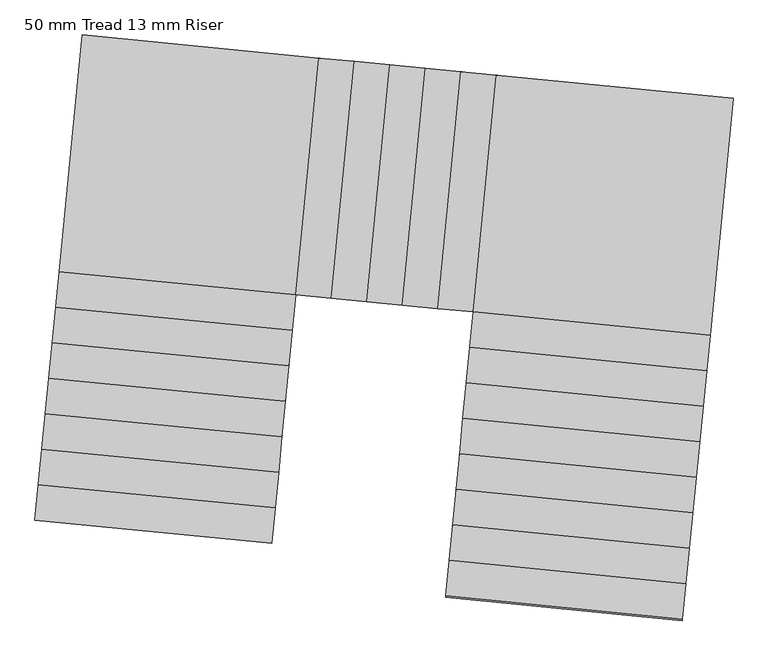
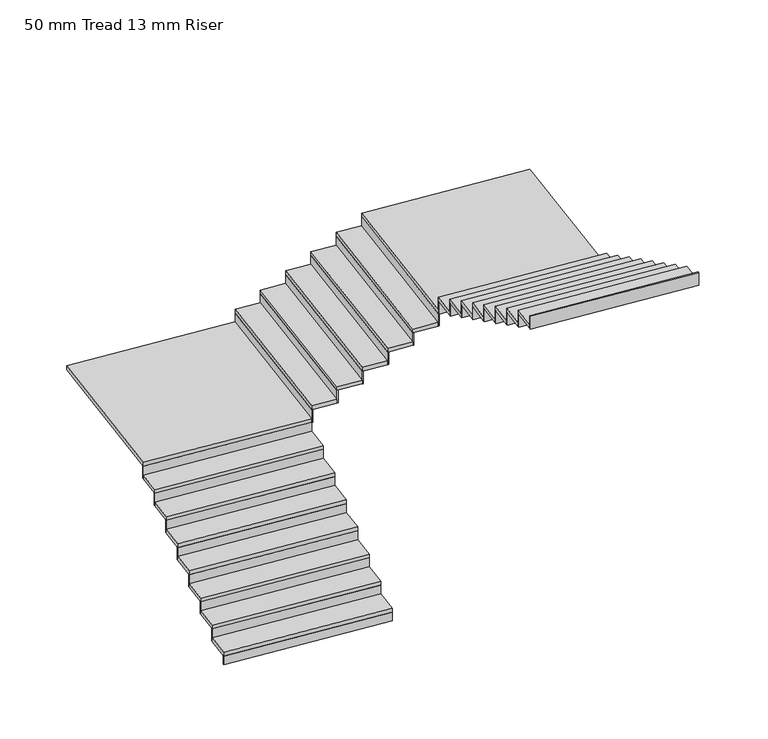
"""IFC4 building model written with IfcOpenShell, lengths in millimetres: stair flight geometry, 50 mm Tread 13 mm Riser."""

from ifc_helpers import new_model, si_unit, frame, origin, place, context, project, spatial, polyline, outline, extrude, source, transform, mapped, element, save


def stair_flight_50_mm_tread_13_mm_riser_656a12ab(model_context):
    return source(origin(), model_context, "Body", "SweptSolid", [
        extrude(outline(polyline([(-285257.1657913, 23425.5739007), (-285258.376983, 23413.1327185), (-287248.9661359, 23606.9233899), (-287247.7549442, 23619.3645721), (-285257.1657913, 23425.5739007)])), frame((0.0, 0.0, 4680.0), z_axis=(0.0, 0.0, 1.0), x_axis=(1.0, 0.0, 0.0)), (0.0, 0.0, 1.0), 116.6666667),
        extrude(outline(polyline([(-287219.8975352, 23905.5117628), (-285229.3083823, 23711.7210915), (-285258.376983, 23413.1327185), (-287248.9661359, 23606.9233899), (-287219.8975352, 23905.5117628)])), frame((0.0, 0.0, 4796.6666667), z_axis=(0.0, 0.0, 1.0), x_axis=(1.0, 0.0, 0.0)), (0.0, 0.0, 1.0), 50.0),
        extrude(outline(polyline([(-285228.0971906, 23724.1622737), (-285229.3083823, 23711.7210915), (-287219.8975352, 23905.5117628), (-287218.6863435, 23917.952945), (-285228.0971906, 23724.1622737)])), frame((0.0, 0.0, 4796.6666667), z_axis=(0.0, 0.0, 1.0), x_axis=(1.0, 0.0, 0.0)), (0.0, 0.0, 1.0), 166.6666667),
        extrude(outline(polyline([(-287190.8289345, 24204.1001358), (-285200.2397815, 24010.3094644), (-285229.3083823, 23711.7210915), (-287219.8975352, 23905.5117628), (-287190.8289345, 24204.1001358)])), frame((0.0, 0.0, 4963.3333333), z_axis=(0.0, 0.0, 1.0), x_axis=(1.0, 0.0, 0.0)), (0.0, 0.0, 1.0), 50.0),
        extrude(outline(polyline([(-285199.0285899, 24022.7506466), (-285200.2397815, 24010.3094644), (-287190.8289345, 24204.1001358), (-287189.6177428, 24216.541318), (-285199.0285899, 24022.7506466)])), frame((0.0, 0.0, 4963.3333333), z_axis=(0.0, 0.0, 1.0), x_axis=(1.0, 0.0, 0.0)), (0.0, 0.0, 1.0), 166.6666667),
        extrude(outline(polyline([(-287161.7603338, 24502.6885087), (-285171.1711808, 24308.8978373), (-285200.2397815, 24010.3094644), (-287190.8289345, 24204.1001358), (-287161.7603338, 24502.6885087)])), frame((0.0, 0.0, 5130.0), z_axis=(0.0, 0.0, 1.0), x_axis=(1.0, 0.0, 0.0)), (0.0, 0.0, 1.0), 50.0),
        extrude(outline(polyline([(-285169.9599891, 24321.3390195), (-285171.1711808, 24308.8978373), (-287161.7603338, 24502.6885087), (-287160.5491421, 24515.1296909), (-285169.9599891, 24321.3390195)])), frame((0.0, 0.0, 5130.0), z_axis=(0.0, 0.0, 1.0), x_axis=(1.0, 0.0, 0.0)), (0.0, 0.0, 1.0), 166.6666667),
        extrude(outline(polyline([(-287132.691733, 24801.2768816), (-285142.1025801, 24607.4862103), (-285171.1711808, 24308.8978373), (-287161.7603338, 24502.6885087), (-287132.691733, 24801.2768816)])), frame((0.0, 0.0, 5296.6666667), z_axis=(0.0, 0.0, 1.0), x_axis=(1.0, 0.0, 0.0)), (0.0, 0.0, 1.0), 50.0),
        extrude(outline(polyline([(-285140.8913884, 24619.9273925), (-285142.1025801, 24607.4862103), (-287132.691733, 24801.2768816), (-287131.4805414, 24813.7180639), (-285140.8913884, 24619.9273925)])), frame((0.0, 0.0, 5296.6666667), z_axis=(0.0, 0.0, 1.0), x_axis=(1.0, 0.0, 0.0)), (0.0, 0.0, 1.0), 166.6666667),
        extrude(outline(polyline([(-287103.6231323, 25099.8652546), (-285113.0339794, 24906.0745832), (-285142.1025801, 24607.4862103), (-287132.691733, 24801.2768816), (-287103.6231323, 25099.8652546)])), frame((0.0, 0.0, 5463.3333333), z_axis=(0.0, 0.0, 1.0), x_axis=(1.0, 0.0, 0.0)), (0.0, 0.0, 1.0), 50.0),
        extrude(outline(polyline([(-285111.8227877, 24918.5157654), (-285113.0339794, 24906.0745832), (-287103.6231323, 25099.8652546), (-287102.4119406, 25112.3064368), (-285111.8227877, 24918.5157654)])), frame((0.0, 0.0, 5463.3333333), z_axis=(0.0, 0.0, 1.0), x_axis=(1.0, 0.0, 0.0)), (0.0, 0.0, 1.0), 166.6666667),
        extrude(outline(polyline([(-287074.5545316, 25398.4536275), (-285083.9653787, 25204.6629561), (-285113.0339794, 24906.0745832), (-287103.6231323, 25099.8652546), (-287074.5545316, 25398.4536275)])), frame((0.0, 0.0, 5630.0), z_axis=(0.0, 0.0, 1.0), x_axis=(1.0, 0.0, 0.0)), (0.0, 0.0, 1.0), 50.0),
        extrude(outline(polyline([(-285082.754187, 25217.1041384), (-285083.9653787, 25204.6629562), (-287074.5545316, 25398.4536275), (-287073.3433399, 25410.8948097), (-285082.754187, 25217.1041384)])), frame((0.0, 0.0, 5630.0), z_axis=(0.0, 0.0, 1.0), x_axis=(1.0, 0.0, 0.0)), (0.0, 0.0, 1.0), 166.6666667),
        extrude(outline(polyline([(-287045.4859309, 25697.0420005), (-285054.896778, 25503.2513291), (-285083.9653787, 25204.6629562), (-287074.5545316, 25398.4536275), (-287045.4859309, 25697.0420005)])), frame((0.0, 0.0, 5796.6666667), z_axis=(0.0, 0.0, 1.0), x_axis=(1.0, 0.0, 0.0)), (0.0, 0.0, 1.0), 50.0),
        extrude(outline(polyline([(-285053.6855863, 25515.6925113), (-285054.896778, 25503.2513291), (-287045.4859309, 25697.0420005), (-287044.2747392, 25709.4831827), (-285053.6855863, 25515.6925113)])), frame((0.0, 0.0, 5796.6666667), z_axis=(0.0, 0.0, 1.0), x_axis=(1.0, 0.0, 0.0)), (0.0, 0.0, 1.0), 166.6666667),
        extrude(outline(polyline([(-284861.1061066, 27493.840482), (-285054.896778, 25503.2513291), (-287045.4859309, 25697.0420005), (-286851.6952596, 27687.6311534), (-284861.1061066, 27493.840482)])), frame((0.0, 0.0, 5963.3333333), z_axis=(0.0, 0.0, 1.0), x_axis=(1.0, 0.0, 0.0)), (0.0, 0.0, 1.0), 50.0),
        extrude(outline(polyline([(-285042.4555958, 25502.0401374), (-285054.896778, 25503.2513291), (-284861.1061066, 27493.840482), (-284848.6649244, 27492.6292903), (-285042.4555958, 25502.0401374)])), frame((0.0, 0.0, 5963.3333333), z_axis=(0.0, 0.0, 1.0), x_axis=(1.0, 0.0, 0.0)), (0.0, 0.0, 1.0), 166.6666667),
        extrude(outline(polyline([(-284562.5177337, 27464.7718813), (-284756.3084051, 25474.1827284), (-285054.896778, 25503.2513291), (-284861.1061066, 27493.840482), (-284562.5177337, 27464.7718813)])), frame((0.0, 0.0, 6130.0), z_axis=(0.0, 0.0, 1.0), x_axis=(1.0, 0.0, 0.0)), (0.0, 0.0, 1.0), 50.0),
        extrude(outline(polyline([(-284743.8672229, 25472.9715367), (-284756.3084051, 25474.1827284), (-284562.5177337, 27464.7718813), (-284550.0765515, 27463.5606896), (-284743.8672229, 25472.9715367)])), frame((0.0, 0.0, 6130.0), z_axis=(0.0, 0.0, 1.0), x_axis=(1.0, 0.0, 0.0)), (0.0, 0.0, 1.0), 166.6666667),
        extrude(outline(polyline([(-284263.9293608, 27435.7032806), (-284457.7200321, 25445.1141277), (-284756.3084051, 25474.1827284), (-284562.5177337, 27464.7718813), (-284263.9293608, 27435.7032806)])), frame((0.0, 0.0, 6296.6666667), z_axis=(0.0, 0.0, 1.0), x_axis=(1.0, 0.0, 0.0)), (0.0, 0.0, 1.0), 50.0),
        extrude(outline(polyline([(-284445.2788499, 25443.902936), (-284457.7200321, 25445.1141277), (-284263.9293608, 27435.7032806), (-284251.4881786, 27434.4920889), (-284445.2788499, 25443.902936)])), frame((0.0, 0.0, 6296.6666667), z_axis=(0.0, 0.0, 1.0), x_axis=(1.0, 0.0, 0.0)), (0.0, 0.0, 1.0), 166.6666667),
        extrude(outline(polyline([(-283965.3409878, 27406.6346799), (-284159.1316592, 25416.045527), (-284457.7200321, 25445.1141277), (-284263.9293608, 27435.7032806), (-283965.3409878, 27406.6346799)])), frame((0.0, 0.0, 6463.3333333), z_axis=(0.0, 0.0, 1.0), x_axis=(1.0, 0.0, 0.0)), (0.0, 0.0, 1.0), 50.0),
        extrude(outline(polyline([(-284146.690477, 25414.8343353), (-284159.1316592, 25416.045527), (-283965.3409878, 27406.6346799), (-283952.8998056, 27405.4234882), (-284146.690477, 25414.8343353)])), frame((0.0, 0.0, 6463.3333333), z_axis=(0.0, 0.0, 1.0), x_axis=(1.0, 0.0, 0.0)), (0.0, 0.0, 1.0), 166.6666667),
        extrude(outline(polyline([(-283666.7526149, 27377.5660792), (-283860.5432863, 25386.9769263), (-284159.1316592, 25416.045527), (-283965.3409878, 27406.6346799), (-283666.7526149, 27377.5660792)])), frame((0.0, 0.0, 6630.0), z_axis=(0.0, 0.0, 1.0), x_axis=(1.0, 0.0, 0.0)), (0.0, 0.0, 1.0), 50.0),
        extrude(outline(polyline([(-283848.1021041, 25385.7657346), (-283860.5432863, 25386.9769263), (-283666.7526149, 27377.5660792), (-283654.3114327, 27376.3548875), (-283848.1021041, 25385.7657346)])), frame((0.0, 0.0, 6630.0), z_axis=(0.0, 0.0, 1.0), x_axis=(1.0, 0.0, 0.0)), (0.0, 0.0, 1.0), 166.6666667),
        extrude(outline(polyline([(-283368.164242, 27348.4974785), (-283561.9549133, 25357.9083256), (-283860.5432863, 25386.9769263), (-283666.7526149, 27377.5660792), (-283368.164242, 27348.4974785)])), frame((0.0, 0.0, 6796.6666667), z_axis=(0.0, 0.0, 1.0), x_axis=(1.0, 0.0, 0.0)), (0.0, 0.0, 1.0), 50.0),
        extrude(outline(polyline([(-283549.5137311, 25356.6971339), (-283561.9549133, 25357.9083256), (-283368.164242, 27348.4974785), (-283355.7230598, 27347.2862868), (-283549.5137311, 25356.6971339)])), frame((0.0, 0.0, 6796.6666667), z_axis=(0.0, 0.0, 1.0), x_axis=(1.0, 0.0, 0.0)), (0.0, 0.0, 1.0), 166.6666667),
        extrude(outline(polyline([(-281571.3657604, 25164.1176542), (-283561.9549133, 25357.9083256), (-283368.164242, 27348.4974785), (-281377.5750891, 27154.7068071), (-281571.3657604, 25164.1176542)])), frame((0.0, 0.0, 6963.3333333), z_axis=(0.0, 0.0, 1.0), x_axis=(1.0, 0.0, 0.0)), (0.0, 0.0, 1.0), 50.0),
        extrude(outline(polyline([(-283563.166105, 25345.4671433), (-283561.9549133, 25357.9083256), (-281571.3657604, 25164.1176542), (-281572.5769521, 25151.676472), (-283563.166105, 25345.4671433)])), frame((0.0, 0.0, 6963.3333333), z_axis=(0.0, 0.0, 1.0), x_axis=(1.0, 0.0, 0.0)), (0.0, 0.0, 1.0), 166.6666667),
        extrude(outline(polyline([(-281600.4343611, 24865.5292812), (-283591.023514, 25059.3199526), (-283561.9549133, 25357.9083256), (-281571.3657604, 25164.1176542), (-281600.4343611, 24865.5292812)])), frame((0.0, 0.0, 7130.0), z_axis=(0.0, 0.0, 1.0), x_axis=(1.0, 0.0, 0.0)), (0.0, 0.0, 1.0), 50.0),
        extrude(outline(polyline([(-283592.2347057, 25046.8787704), (-283591.023514, 25059.3199526), (-281600.4343611, 24865.5292812), (-281601.6455528, 24853.088099), (-283592.2347057, 25046.8787704)])), frame((0.0, 0.0, 7130.0), z_axis=(0.0, 0.0, 1.0), x_axis=(1.0, 0.0, 0.0)), (0.0, 0.0, 1.0), 166.6666667),
        extrude(outline(polyline([(-281629.5029618, 24566.9409083), (-283620.0921147, 24760.7315797), (-283591.023514, 25059.3199526), (-281600.4343611, 24865.5292812), (-281629.5029618, 24566.9409083)])), frame((0.0, 0.0, 7296.6666667), z_axis=(0.0, 0.0, 1.0), x_axis=(1.0, 0.0, 0.0)), (0.0, 0.0, 1.0), 50.0),
        extrude(outline(polyline([(-283621.3033064, 24748.2903975), (-283620.0921147, 24760.7315797), (-281629.5029618, 24566.9409083), (-281630.7141535, 24554.4997261), (-283621.3033064, 24748.2903975)])), frame((0.0, 0.0, 7296.6666667), z_axis=(0.0, 0.0, 1.0), x_axis=(1.0, 0.0, 0.0)), (0.0, 0.0, 1.0), 166.6666667),
        extrude(outline(polyline([(-281658.5715625, 24268.3525354), (-283649.1607155, 24462.1432067), (-283620.0921147, 24760.7315797), (-281629.5029618, 24566.9409083), (-281658.5715625, 24268.3525354)])), frame((0.0, 0.0, 7463.3333333), z_axis=(0.0, 0.0, 1.0), x_axis=(1.0, 0.0, 0.0)), (0.0, 0.0, 1.0), 50.0),
        extrude(outline(polyline([(-283650.3719071, 24449.7020245), (-283649.1607155, 24462.1432067), (-281658.5715625, 24268.3525354), (-281659.7827542, 24255.9113532), (-283650.3719071, 24449.7020245)])), frame((0.0, 0.0, 7463.3333333), z_axis=(0.0, 0.0, 1.0), x_axis=(1.0, 0.0, 0.0)), (0.0, 0.0, 1.0), 166.6666667),
        extrude(outline(polyline([(-281687.6401632, 23969.7641624), (-283678.2293162, 24163.5548338), (-283649.1607155, 24462.1432067), (-281658.5715625, 24268.3525354), (-281687.6401632, 23969.7641624)])), frame((0.0, 0.0, 7630.0), z_axis=(0.0, 0.0, 1.0), x_axis=(1.0, 0.0, 0.0)), (0.0, 0.0, 1.0), 50.0),
        extrude(outline(polyline([(-283679.4405079, 24151.1136516), (-283678.2293162, 24163.5548338), (-281687.6401632, 23969.7641624), (-281688.8513549, 23957.3229802), (-283679.4405079, 24151.1136516)])), frame((0.0, 0.0, 7630.0), z_axis=(0.0, 0.0, 1.0), x_axis=(1.0, 0.0, 0.0)), (0.0, 0.0, 1.0), 166.6666667),
        extrude(outline(polyline([(-281716.7087639, 23671.1757895), (-283707.2979169, 23864.9664609), (-283678.2293162, 24163.5548338), (-281687.6401632, 23969.7641624), (-281716.7087639, 23671.1757895)])), frame((0.0, 0.0, 7796.6666667), z_axis=(0.0, 0.0, 1.0), x_axis=(1.0, 0.0, 0.0)), (0.0, 0.0, 1.0), 50.0),
        extrude(outline(polyline([(-283708.5091086, 23852.5252787), (-283707.2979169, 23864.9664609), (-281716.7087639, 23671.1757895), (-281717.9199556, 23658.7346073), (-283708.5091086, 23852.5252787)])), frame((0.0, 0.0, 7796.6666667), z_axis=(0.0, 0.0, 1.0), x_axis=(1.0, 0.0, 0.0)), (0.0, 0.0, 1.0), 166.6666667),
        extrude(outline(polyline([(-281745.7773647, 23372.5874166), (-283736.3665176, 23566.3780879), (-283707.2979169, 23864.9664609), (-281716.7087639, 23671.1757895), (-281745.7773647, 23372.5874166)])), frame((0.0, 0.0, 7963.3333333), z_axis=(0.0, 0.0, 1.0), x_axis=(1.0, 0.0, 0.0)), (0.0, 0.0, 1.0), 50.0),
        extrude(outline(polyline([(-283737.5777093, 23553.9369057), (-283736.3665176, 23566.3780879), (-281745.7773647, 23372.5874166), (-281746.9885564, 23360.1462344), (-283737.5777093, 23553.9369057)])), frame((0.0, 0.0, 7963.3333333), z_axis=(0.0, 0.0, 1.0), x_axis=(1.0, 0.0, 0.0)), (0.0, 0.0, 1.0), 166.6666667),
        extrude(outline(polyline([(-281774.8459654, 23073.9990436), (-283765.4351183, 23267.789715), (-283736.3665176, 23566.3780879), (-281745.7773647, 23372.5874166), (-281774.8459654, 23073.9990436)])), frame((0.0, 0.0, 8130.0), z_axis=(0.0, 0.0, 1.0), x_axis=(1.0, 0.0, 0.0)), (0.0, 0.0, 1.0), 50.0),
        extrude(outline(polyline([(-283766.64631, 23255.3485328), (-283765.4351183, 23267.789715), (-281774.8459654, 23073.9990436), (-281776.0571571, 23061.5578614), (-283766.64631, 23255.3485328)])), frame((0.0, 0.0, 8130.0), z_axis=(0.0, 0.0, 1.0), x_axis=(1.0, 0.0, 0.0)), (0.0, 0.0, 1.0), 166.6666667),
        extrude(outline(polyline([(-283795.7149107, 22956.7601599), (-283794.503719, 22969.2013421), (-281803.9145661, 22775.4106707), (-281805.1257578, 22762.9694885), (-283795.7149107, 22956.7601599)])), frame((0.0, 0.0, 8296.6666667), z_axis=(0.0, 0.0, 1.0), x_axis=(1.0, 0.0, 0.0)), (0.0, 0.0, 1.0), 166.6666667),
        extrude(outline(polyline([(-281803.9145661, 22775.4106707), (-283794.503719, 22969.2013421), (-283765.4351183, 23267.789715), (-281774.8459654, 23073.9990436), (-281803.9145661, 22775.4106707)])), frame((0.0, 0.0, 8296.6666667), z_axis=(0.0, 0.0, 1.0), x_axis=(1.0, 0.0, 0.0)), (0.0, 0.0, 1.0), 50.0),
    ])


if __name__ == "__main__":
    model = new_model("IFC4")
    model_context = context("Model", 3, world=origin())
    ifc_project = project(units=[si_unit("LENGTHUNIT", "METRE", prefix="MILLI")], contexts=[model_context])
    site = spatial("IfcSite", under=ifc_project)
    building = spatial("IfcBuilding", under=site)
    placement = place(None, origin())
    stair_flight_50_mm_tread_13_mm_riser_shape = stair_flight_50_mm_tread_13_mm_riser_656a12ab(model_context)
    element("IfcStairFlight", 1, ObjectType="50 mm Tread 13 mm Riser", at=placement, inside=building, context=model_context, shape_type="MappedRepresentation", body=[
        mapped(stair_flight_50_mm_tread_13_mm_riser_shape, transform((0.0, 0.0, 0.0), x_axis=(1.0, 0.0, 0.0), y_axis=(0.0, 1.0, 0.0), z_axis=(0.0, 0.0, 1.0))),
    ])
    save(model, "model.ifc")
